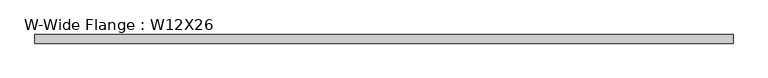
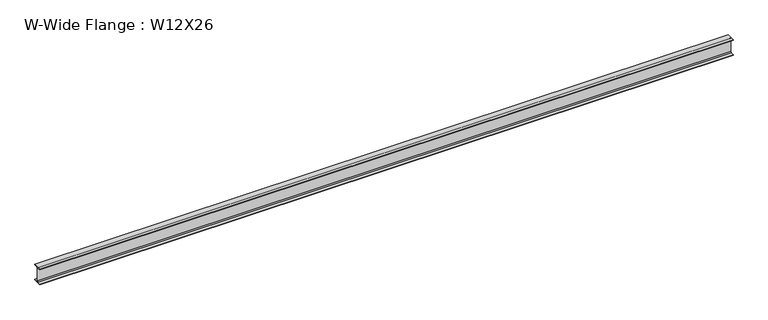
"""IFC4 building model written with IfcOpenShell, lengths in millimetres: beam geometry, W-Wide Flange : W12X26."""

from ifc_helpers import new_model, si_unit, point, frame, frame_2d, origin, place, context, project, spatial, polyline, circle_curve, trimmed, segment, composite_curve, outline, extrude, source, transform, mapped, element, save


def w_wide_flange_w12x26_e405695c(model_context):
    return source(origin(), model_context, "Body", "SweptSolid", [
        extrude(outline(composite_curve([segment(polyline([(82.4011719, -145.5539063), (82.4011719, -155.178125), (-82.4011719, -155.178125), (-82.4011719, -145.5539063), (-20.2902344, -145.5539063)]), True, "CONTINUOUS"), segment(trimmed(circle_curve(frame_2d((-20.2902344, -128.190625)), 17.3632812), [point((-20.2902344, -145.5539063))], [point((-2.9269531, -128.190625))], True, "CARTESIAN"), True, "CONTINUOUS"), segment(polyline([(-2.9269531, -128.190625), (-2.9269531, 128.190625)]), True, "CONTINUOUS"), segment(trimmed(circle_curve(frame_2d((-20.2902344, 128.190625)), 17.3632812), [point((-2.9269531, 128.190625))], [point((-20.2902344, 145.5539062))], True, "CARTESIAN"), True, "CONTINUOUS"), segment(polyline([(-20.2902344, 145.5539062), (-82.4011719, 145.5539062), (-82.4011719, 155.178125), (82.4011719, 155.178125), (82.4011719, 145.5539062), (20.2902344, 145.5539062)]), True, "CONTINUOUS"), segment(trimmed(circle_curve(frame_2d((20.2902344, 128.190625)), 17.3632812), [point((20.2902344, 145.5539062))], [point((2.9269531, 128.190625))], True, "CARTESIAN"), True, "CONTINUOUS"), segment(polyline([(2.9269531, 128.190625), (2.9269531, -128.190625)]), True, "CONTINUOUS"), segment(trimmed(circle_curve(frame_2d((20.2902344, -128.190625)), 17.3632812), [point((2.9269531, -128.190625))], [point((20.2902344, -145.5539063))], True, "CARTESIAN"), True, "CONTINUOUS"), segment(polyline([(20.2902344, -145.5539063), (82.4011719, -145.5539063)]), True, "CONTINUOUS")], self_intersect=False)), frame((-6687.3787005, 0.0, 0.0), z_axis=(1.0, 0.0, 0.0), x_axis=(0.0, 1.0, 0.0)), (0.0, 0.0, 1.0), 13374.757401),
    ])


if __name__ == "__main__":
    model = new_model("IFC4")
    model_context = context("Model", 3, world=origin())
    ifc_project = project(units=[si_unit("LENGTHUNIT", "METRE", prefix="MILLI")], contexts=[model_context])
    site = spatial("IfcSite", under=ifc_project)
    building = spatial("IfcBuilding", under=site)
    placement = place(None, origin())
    w_wide_flange_w12x26_shape = w_wide_flange_w12x26_e405695c(model_context)
    element("IfcBeam", 1, ObjectType="W-Wide Flange : W12X26", at=placement, inside=building, context=model_context, shape_type="MappedRepresentation", body=[
        mapped(w_wide_flange_w12x26_shape, transform((0.0, 0.0, 0.0), x_axis=(1.0, 0.0, 0.0), y_axis=(0.0, 1.0, 0.0), z_axis=(0.0, 0.0, 1.0))),
    ])
    save(model, "model.ifc")
